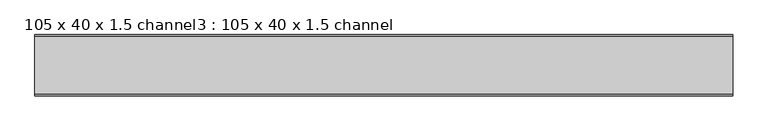
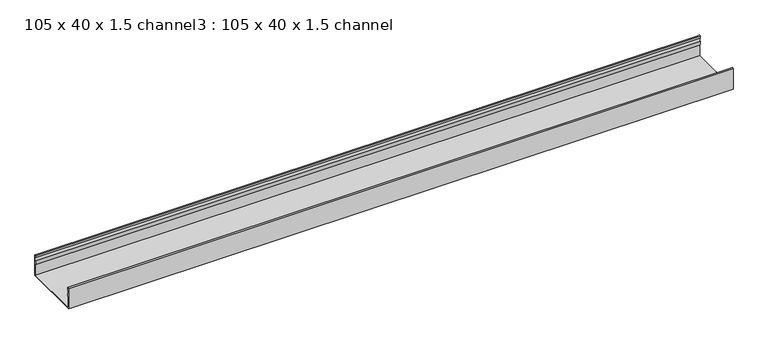
"""IFC4 building model written with IfcOpenShell, lengths in millimetres: proxy geometry, 105 x 40 x 1.5 channel3 : 105 x 40 x 1.5 channel."""

from ifc_helpers import new_model, si_unit, point, frame, frame_2d, origin, place, context, project, spatial, polyline, circle_curve, trimmed, segment, composite_curve, outline, extrude, source, transform, mapped, element, save


def proxy_105_x_40_x_1_5_channel3_105_x_40_x_1_5_channel_56cb669c(model_context):
    return source(origin(), model_context, "Body", "SweptSolid", [
        extrude(outline(composite_curve([segment(trimmed(circle_curve(frame_2d((-25047.5343538, 32.0)), 10.0), [point((-25037.9590458, 29.1166898))], [point((-25037.9590458, 34.8833102))], True, "CARTESIAN"), True, "CONTINUOUS"), segment(polyline([(-25037.9590458, 34.8833102), (-25038.5343538, 38.8)]), True, "CONTINUOUS"), segment(trimmed(circle_curve(frame_2d((-25037.3343538, 38.8)), 1.2), [point((-25038.5343538, 38.8))], [point((-25036.1343538, 38.8))], False, "CARTESIAN"), True, "CONTINUOUS"), segment(polyline([(-25036.1343538, 38.8), (-25036.1343538, 0.0), (-25141.4343538, 0.0), (-25141.4343538, 38.8)]), True, "CONTINUOUS"), segment(trimmed(circle_curve(frame_2d((-25140.2343538, 38.8)), 1.2), [point((-25141.4343538, 38.8))], [point((-25139.0343538, 38.8))], False, "CARTESIAN"), True, "CONTINUOUS"), segment(polyline([(-25139.0343538, 38.8), (-25139.6096617, 34.8833102)]), True, "CONTINUOUS"), segment(trimmed(circle_curve(frame_2d((-25130.0343538, 32.0)), 10.0), [point((-25139.6096617, 34.8833102))], [point((-25139.6096617, 29.1166898))], True, "CARTESIAN"), True, "CONTINUOUS"), segment(trimmed(circle_curve(frame_2d((-25149.0343538, 25.77376)), 10.0), [point((-25139.6096617, 29.1166898))], [point((-25140.0343538, 21.4148611))], False, "CARTESIAN"), True, "CONTINUOUS"), segment(polyline([(-25140.0343538, 21.4148611), (-25140.0343538, 1.4), (-25037.5343538, 1.4), (-25037.5343538, 21.4148611)]), True, "CONTINUOUS"), segment(trimmed(circle_curve(frame_2d((-25028.5343538, 25.77376)), 10.0), [point((-25037.5343538, 21.4148611))], [point((-25037.9590458, 29.1166898))], False, "CARTESIAN"), True, "CONTINUOUS")], self_intersect=False)), frame((-8043.7355594, 0.0, 0.0), z_axis=(1.0, 0.0, 0.0), x_axis=(0.0, 1.0, 0.0)), (0.0, 0.0, 1.0), 1200.1845315),
    ])


if __name__ == "__main__":
    model = new_model("IFC4")
    model_context = context("Model", 3, world=origin())
    ifc_project = project(units=[si_unit("LENGTHUNIT", "METRE", prefix="MILLI")], contexts=[model_context])
    site = spatial("IfcSite", under=ifc_project)
    building = spatial("IfcBuilding", under=site)
    placement = place(None, origin())
    proxy_105_x_40_x_1_5_channel3_105_x_40_x_1_5_channel_shape = proxy_105_x_40_x_1_5_channel3_105_x_40_x_1_5_channel_56cb669c(model_context)
    element("IfcBuildingElementProxy", 1, Name="105 x 40 x 1.5 channel3 : 105 x 40 x 1.5 channel", ObjectType="105 x 40 x 1.5 channel3 : 105 x 40 x 1.5 channel", at=placement, inside=building, context=model_context, shape_type="MappedRepresentation", body=[
        mapped(proxy_105_x_40_x_1_5_channel3_105_x_40_x_1_5_channel_shape, transform((0.0, 0.0, 0.0), x_axis=(1.0, 0.0, 0.0), y_axis=(0.0, 1.0, 0.0), z_axis=(0.0, 0.0, 1.0))),
    ])
    save(model, "model.ifc")
